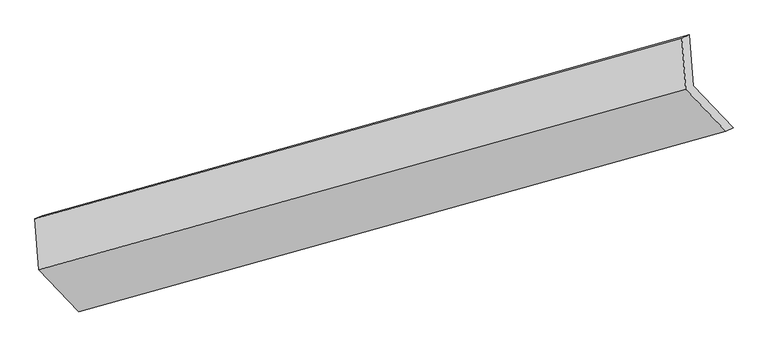
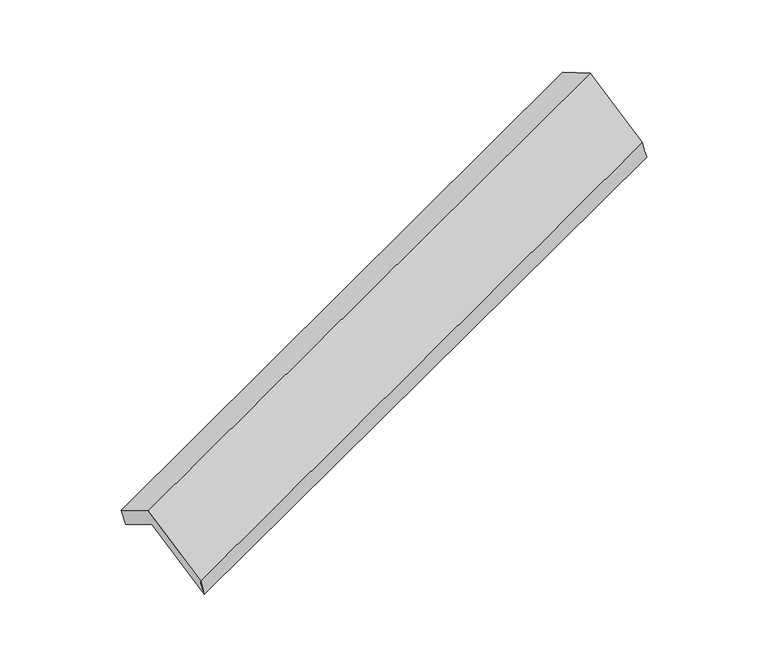
"""IFC4 building model written with IfcOpenShell, lengths in millimetres: proxy geometry."""

from ifc_helpers import new_model, si_unit, frame, origin, place, context, project, spatial, source, transform, mapped, element, save
from ifc_brep_helpers import plane_surface, spline_surface, advanced_brep


def generic_models_54c2dc23(model_context):
    return source(origin(), model_context, "Body", "AdvancedBrep", [
        advanced_brep(
        [(-5131.6647507, -2129.629187, 1297.9136657), (-5157.6136008, -1784.9292371, 1103.2645447), (-733.2430446, -550.2629292, 2699.8917725), (-703.2331438, -899.2225505, 2886.4561506), (-5206.4478899, -1806.7898979, 1257.1832509), (-782.0773337, -572.1235901, 2853.8104787), (-5180.1581006, -2156.0188245, 1454.3898464), (-755.7875444, -921.3525166, 3051.0170742), (-4907.0295575, -2442.5057226, 910.6453359), (-482.6590013, -1207.8394147, 2507.2725637), (-4860.3744009, -2414.1879883, 757.8286317), (-431.942794, -1183.7813517, 2346.3711167)],
        [
            (0, 1),
            (1, 2),
            (2, 3),
            (3, 0),
            (1, 4),
            (4, 5),
            (5, 2),
            (4, 6),
            (6, 7),
            (7, 5),
            (6, 8),
            (8, 9),
            (9, 7),
            (8, 10),
            (10, 11),
            (11, 9),
            (10, 0),
            (3, 11),
        ],
        [
            spline_surface(1, 1, [[(-5131.6647507, -2129.629187, 1297.9136657), (-703.2331438, -899.2225505, 2886.4561506)], [(-5157.6136008, -1784.9292371, 1103.2645447), (-733.2430446, -550.2629292, 2699.8917725)]], [2, 2], [2, 2], [0.0, 1.0], [0.0, 1.0]),
            plane_surface(frame((-5182.0307453, -1795.8595675, 1180.2238978), z_axis=(-0.28386168009246826, 0.9577628116060805, 0.04596676276938694), x_axis=(-0.2996834794647444, -0.13415325642777023, 0.9445595354056456))),
            plane_surface(frame((-5193.3029952, -1981.4043612, 1355.7865486), z_axis=(-0.409850288127484, 0.42492655323964934, 0.8071308231468365), x_axis=(0.06540994573735762, -0.8688941900322771, 0.4906571364270462))),
            plane_surface(frame((-5043.5938291, -2299.2622736, 1182.5175911), z_axis=(0.06540994573736345, -0.868894190032283, 0.49065713642703546), x_axis=(0.40610507261461204, -0.4259671333695793, -0.80847428610042))),
            spline_surface(1, 1, [[(-4907.0295575, -2442.5057226, 910.6453359), (-482.6590013, -1207.8394147, 2507.2725637)], [(-4860.3744009, -2414.1879883, 757.8286317), (-431.942794, -1183.7813517, 2346.3711167)]], [2, 2], [2, 2], [0.0, 1.0], [0.0, 1.0]),
            plane_surface(frame((-4996.0195758, -2271.9085876, 1027.8711487), z_axis=(-0.06540994573735892, 0.8688941900322802, -0.49065713642704106), x_axis=(-0.4061050726146055, 0.42596713336958786, 0.8084742861004188))),
            plane_surface(frame((-648.1571436, -889.0970588, 2724.1365261), z_axis=(0.9114824238542931, 0.2521406112016359, 0.32499985105776347), x_axis=(0.29760962263099183, 0.14117599548370277, -0.9441916388194848))),
            plane_surface(frame((-5073.8813834, -2122.3434762, 1130.2042125), z_axis=(-0.9114824238542882, -0.2521406112015964, -0.32499985105780765), x_axis=(0.4061050726146255, -0.42596713336959446, -0.8084742861004053))),
        ],
        [
            (0, [[1, 2, 3, 4]]),
            (1, [[5, 6, 7, -2]]),
            (2, [[8, 9, 10, -6]]),
            (3, [[11, 12, 13, -9]]),
            (4, [[14, 15, 16, -12]]),
            (5, [[17, -4, 18, -15]]),
            (6, [[-16, -18, -3, -7, -10, -13]]),
            (7, [[-17, -14, -11, -8, -5, -1]]),
        ],
    ),
    ])


if __name__ == "__main__":
    model = new_model("IFC4")
    model_context = context("Model", 3, world=origin())
    ifc_project = project(units=[si_unit("LENGTHUNIT", "METRE", prefix="MILLI")], contexts=[model_context])
    site = spatial("IfcSite", under=ifc_project)
    building = spatial("IfcBuilding", under=site)
    placement = place(None, origin())
    generic_models_shape = generic_models_54c2dc23(model_context)
    element("IfcBuildingElementProxy", 1, Name="Generic Models", at=placement, inside=building, context=model_context, shape_type="MappedRepresentation", body=[
        mapped(generic_models_shape, transform((0.0, 0.0, 0.0), x_axis=(1.0, 0.0, 0.0), y_axis=(0.0, 1.0, 0.0), z_axis=(0.0, 0.0, 1.0))),
    ])
    save(model, "model.ifc")
